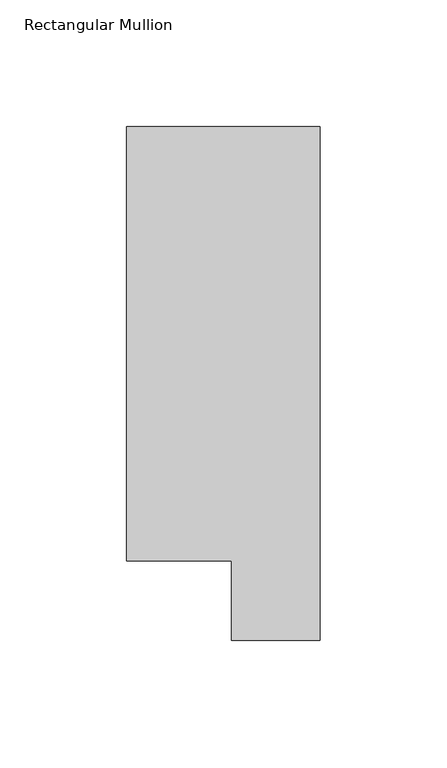
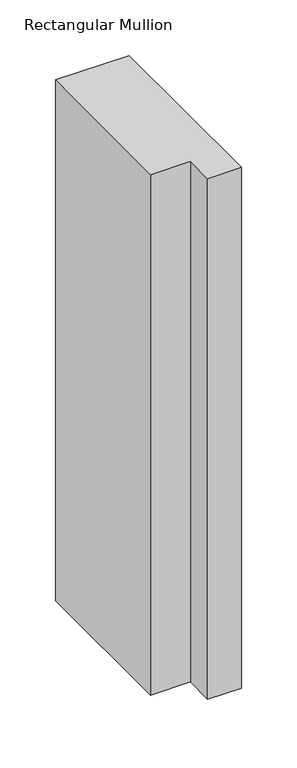
"""IFC4 building model written with IfcOpenShell, lengths in millimetres: member geometry, Rectangular Mullion."""

from ifc_helpers import new_model, si_unit, frame, origin, place, context, project, spatial, polyline, outline, extrude, source, transform, mapped, element, save


def rectangular_mullion_845aa6af(model_context):
    return source(origin(), model_context, "Body", "SweptSolid", [
        extrude(outline(polyline([(0.0, 222.0301313), (0.0, 19.5667313), (-34.9123, 19.5667312), (-34.9123, 50.820278), (-76.2, 50.820278), (-76.2, 222.0301313), (0.0, 222.0301313)])), frame((0.0, 0.0, -571.3356703), z_axis=(0.0, 0.0, 1.0), x_axis=(1.0, 0.0, 0.0)), (0.0, 0.0, 1.0), 571.3356703),
    ])


if __name__ == "__main__":
    model = new_model("IFC4")
    model_context = context("Model", 3, world=origin())
    ifc_project = project(units=[si_unit("LENGTHUNIT", "METRE", prefix="MILLI")], contexts=[model_context])
    site = spatial("IfcSite", under=ifc_project)
    building = spatial("IfcBuilding", under=site)
    placement = place(None, origin())
    rectangular_mullion_shape = rectangular_mullion_845aa6af(model_context)
    element("IfcMember", 1, ObjectType="Rectangular Mullion", at=placement, inside=building, context=model_context, shape_type="MappedRepresentation", body=[
        mapped(rectangular_mullion_shape, transform((0.0, 0.0, 0.0), x_axis=(1.0, 0.0, 0.0), y_axis=(0.0, 1.0, 0.0), z_axis=(0.0, 0.0, 1.0))),
    ])
    save(model, "model.ifc")
